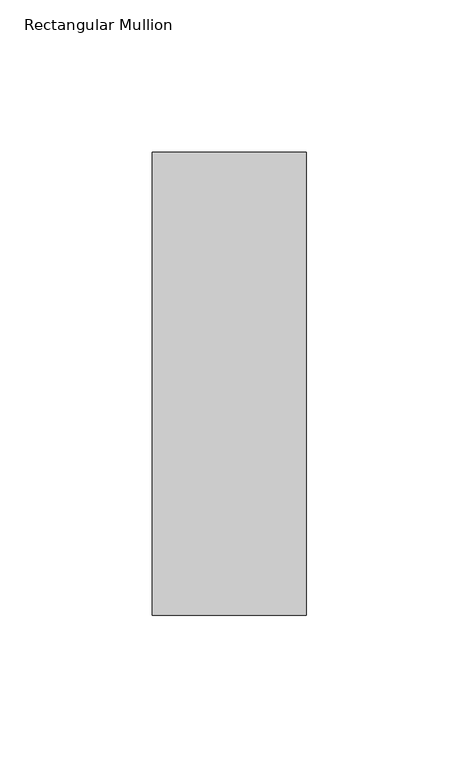
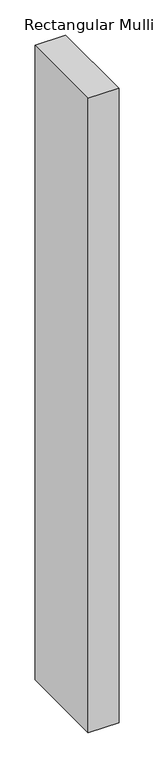
"""IFC4 building model written with IfcOpenShell, lengths in millimetres: member geometry, Rectangular Mullion."""

from ifc_helpers import new_model, si_unit, frame, origin, place, context, project, spatial, polyline, outline, extrude, source, transform, mapped, element, save


def rectangular_mullion_f923128f(model_context):
    return source(origin(), model_context, "Body", "SweptSolid", [
        extrude(outline(polyline([(0.0, 26.19375), (0.0, -126.20625), (-50.8, -126.20625), (-50.8, 26.19375), (0.0, 26.19375)])), frame((0.0, 0.0, -1104.9), z_axis=(0.0, 0.0, 1.0), x_axis=(1.0, 0.0, 0.0)), (0.0, 0.0, 1.0), 1104.9),
    ])


if __name__ == "__main__":
    model = new_model("IFC4")
    model_context = context("Model", 3, world=origin())
    ifc_project = project(units=[si_unit("LENGTHUNIT", "METRE", prefix="MILLI")], contexts=[model_context])
    site = spatial("IfcSite", under=ifc_project)
    building = spatial("IfcBuilding", under=site)
    placement = place(None, origin())
    rectangular_mullion_shape = rectangular_mullion_f923128f(model_context)
    element("IfcMember", 1, ObjectType="Rectangular Mullion", at=placement, inside=building, context=model_context, shape_type="MappedRepresentation", body=[
        mapped(rectangular_mullion_shape, transform((0.0, 0.0, 0.0), x_axis=(1.0, 0.0, 0.0), y_axis=(0.0, 1.0, 0.0), z_axis=(0.0, 0.0, 1.0))),
    ])
    save(model, "model.ifc")
